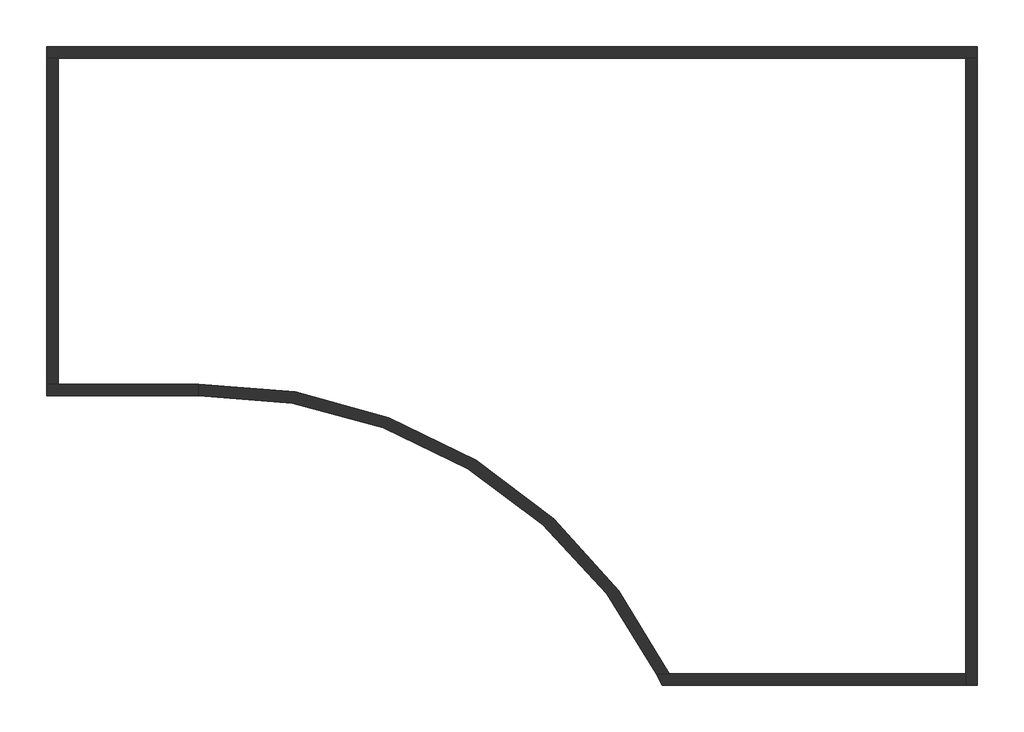
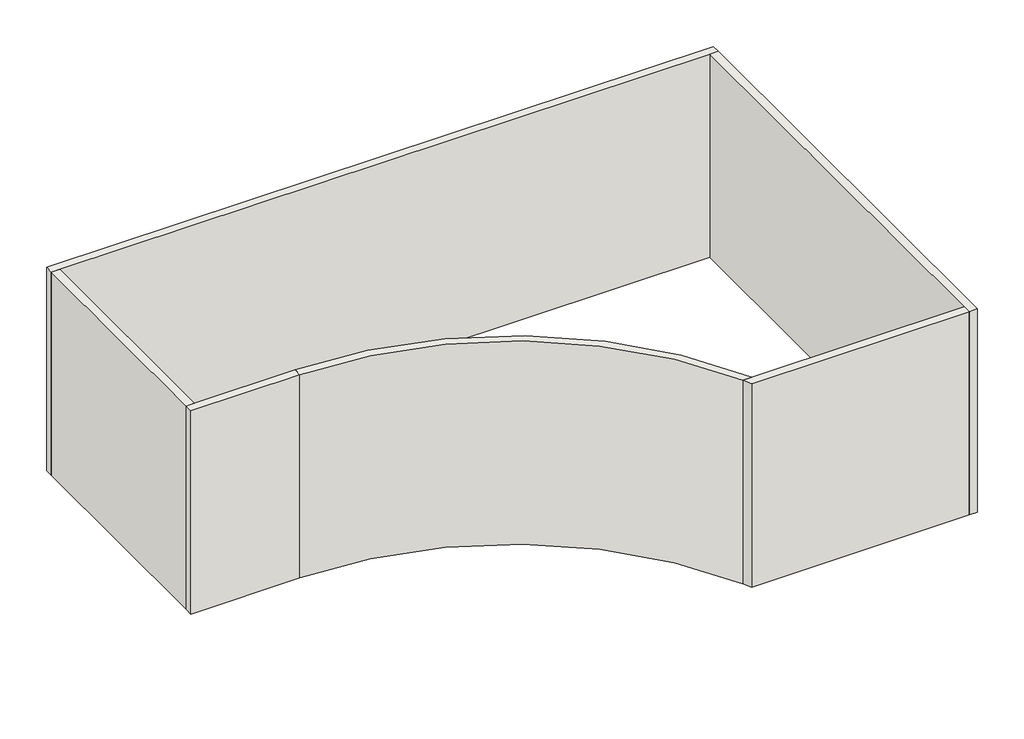
# One storey: 6 walls.
"""IFC4 building model written with IfcOpenShell, lengths in millimetres."""

from ifc_helpers import new_model, si_unit, point, frame, frame_2d, origin, place, context, project, spatial, polyline, circle_curve, trimmed, segment, composite_curve, outline, extrude, faceted_brep, element, save
from ifc_brep_helpers import plane_surface, revolved_surface, advanced_brep

model = new_model("IFC4")

# Units and contexts
model_context = context("Model", 3, world=origin())
ifc_project = project(units=[si_unit("LENGTHUNIT", "METRE", prefix="MILLI")], contexts=[model_context])

# Site, building, storey
site = spatial("IfcSite", under=ifc_project)
building = spatial("IfcBuilding", under=site)
storey = spatial("IfcBuildingStorey", under=building, Elevation=0.0)

# Walls
placement = place(None, origin())
element("IfcWall", 1, ObjectType="22_BM_Kalkzandsteen_150mm", at=placement, inside=storey, context=model_context, shape_type="Brep", body=[
    faceted_brep([(17433.19528, 2060.4769686, -50.0), (17583.19528, 2060.4769686, -50.0), (29383.19528, 2060.4769686, -50.0), (29533.19528, 2060.4769686, -50.0), (29533.19528, 2060.4769686, 3850.0), (29383.19528, 2060.4769686, 3850.0), (17583.19528, 2060.4769686, 3850.0), (17433.19528, 2060.4769686, 3850.0), (17433.19528, 2210.4769686, -50.0), (17433.19528, 2210.4769686, 3850.0), (29533.19528, 2210.4769686, 3850.0), (29533.19528, 2210.4769686, -50.0)], [[[0, 1, 2, 3, 4, 5, 6, 7]], [[8, 9, 10, 11]], [[3, 2, 1, 0, 8, 11]], [[7, 6, 5, 4, 10, 9]], [[4, 3, 11, 10]], [[0, 7, 9, 8]]]),
])
element("IfcWall", 2, ObjectType="22_BM_Kalkzandsteen_150mm", at=placement, inside=storey, context=model_context, shape_type="Brep", body=[
    faceted_brep([(29383.19528, 2060.4769686, -50.0), (29383.19528, -5939.5230314, -50.0), (29383.19528, -6089.5230314, -50.0), (29383.19528, -6089.5230314, 3850.0), (29383.19528, -5939.5230314, 3850.0), (29383.19528, 2060.4769686, 3850.0), (29533.19528, 2060.4769686, -50.0), (29533.19528, 2060.4769686, 3850.0), (29533.19528, -6089.5230314, 3850.0), (29533.19528, -6089.5230314, -50.0)], [[[0, 1, 2, 3, 4, 5]], [[6, 7, 8, 9]], [[2, 1, 0, 6, 9]], [[5, 4, 3, 8, 7]], [[0, 5, 7, 6]], [[3, 2, 9, 8]]]),
])
element("IfcWall", 3, ObjectType="22_BM_Kalkzandsteen_150mm", at=placement, inside=storey, context=model_context, shape_type="AdvancedBrep", body=[
    advanced_brep(
    [(29383.19528, -5939.5230314, -50.0), (25527.6581157, -5939.5230314, -50.0), (25360.3040809, -5939.5230314, -50.0), (25360.3040809, -5939.5230314, 3850.0), (25527.6581157, -5939.5230314, 3850.0), (29383.19528, -5939.5230314, 3850.0), (29383.19528, -6089.5230314, -50.0), (29383.19528, -6089.5230314, 3850.0), (25433.19528, -6089.5230314, 3850.0), (25433.19528, -6089.5230314, -50.0)],
    [
        (0, 1),
        (1, 2),
        (2, 3),
        (3, 4),
        (4, 5),
        (5, 0),
        (6, 7),
        (7, 8),
        (8, 9),
        (9, 6),
        (0, 6),
        (9, 2, circle_curve(frame((19504.9257387, -8877.6037782, -50.0), z_axis=(0.0, 0.0, 1.0), x_axis=(1.0, 0.0, 0.0)), 6551.1658508)),
        (3, 8, circle_curve(frame((19504.9257387, -8877.6037782, 3850.0), z_axis=(0.0, 0.0, -1.0), x_axis=(1.0, 0.0, 0.0)), 6551.1658508)),
        (7, 5),
    ],
    [
        plane_surface(frame((29533.19528, -5939.5230314, -50.0), z_axis=(0.0, 1.0, 0.0), x_axis=(-1.0, 0.0, 0.0))),
        plane_surface(frame((29533.19528, -6089.5230314, -50.0), z_axis=(0.0, -1.0, 0.0), x_axis=(1.0, 0.0, 0.0))),
        plane_surface(frame((29458.19528, -5939.5230314, -50.0), z_axis=(0.0, 0.0, -1.0), x_axis=(0.0, -1.0, 0.0))),
        plane_surface(frame((25480.6133577, -5939.5230314, 3850.0), z_axis=(0.0, 0.0, 1.0), x_axis=(0.0, -1.0, 0.0))),
        plane_surface(frame((29383.19528, 2210.4769686, -50.0), z_axis=(1.0, 0.0, 0.0), x_axis=(0.0, -1.0, 0.0))),
        revolved_surface(polyline([(26056.0915895, -8877.6037782, -50.0), (26056.0915895, -8877.6037782, 3850.0)]), (19504.9257387, -8877.6037782, -50.0), (0.0, 0.0, -1.0)),
    ],
    [
        (0, [[1, 2, 3, 4, 5, 6]]),
        (1, [[7, 8, 9, 10]]),
        (2, [[-2, -1, 11, -10, 12]]),
        (3, [[-5, -4, 13, -8, 14]]),
        (4, [[-6, -14, -7, -11]]),
        (5, [[-3, -12, -9, -13]]),
    ],
),
])
element("IfcWall", 4, ObjectType="22_BM_Kalkzandsteen_150mm", at=placement, inside=storey, context=model_context, shape_type="SweptSolid", body=[
    extrude(outline(composite_curve([segment(polyline([(19412.0537973, -2327.0962553), (19410.9965319, -2177.0962553)]), True, "CONTINUOUS"), segment(trimmed(circle_curve(frame_2d((19504.9257387, -8877.6037782)), 6701.1658508), [point((19410.9965319, -2177.0962553))], [point((25527.6581157, -5939.5230314))], False, "CARTESIAN"), True, "CONTINUOUS"), segment(polyline([(25527.6581157, -5939.5230314), (25360.3040809, -5939.5230314)]), True, "CONTINUOUS"), segment(trimmed(circle_curve(frame_2d((19504.9257387, -8877.6037782)), 6551.1658508), [point((25360.3040809, -5939.5230314))], [point((19412.0537973, -2327.0962553))], True, "CARTESIAN"), True, "CONTINUOUS")], self_intersect=False)), frame((0.0, 0.0, -50.0), z_axis=(0.0, 0.0, 1.0), x_axis=(1.0, 0.0, 0.0)), (0.0, 0.0, 1.0), 3900.0),
])
element("IfcWall", 5, ObjectType="22_BM_Kalkzandsteen_150mm", at=placement, inside=storey, context=model_context, shape_type="Brep", body=[
    faceted_brep([(19410.9965319, -2177.0962553, -50.0), (17583.19528, -2177.0962553, -50.0), (17433.19528, -2177.0962553, -50.0), (17433.19528, -2177.0962553, 3850.0), (17583.19528, -2177.0962553, 3850.0), (19410.9965319, -2177.0962553, 3850.0), (19412.0537973, -2327.0962553, -50.0), (19412.0537973, -2327.0962553, 3850.0), (17433.19528, -2327.0962553, 3850.0), (17433.19528, -2327.0962553, -50.0)], [[[0, 1, 2, 3, 4, 5]], [[6, 7, 8, 9]], [[2, 1, 0, 6, 9]], [[5, 4, 3, 8, 7]], [[0, 5, 7, 6]], [[3, 2, 9, 8]]]),
])
element("IfcWall", 6, ObjectType="22_BM_Kalkzandsteen_150mm", at=placement, inside=storey, context=model_context, shape_type="SweptSolid", body=[
    extrude(outline(polyline([(17583.19528, 2060.4769686), (17583.19528, -2177.0962553), (17433.19528, -2177.0962553), (17433.19528, 2060.4769686), (17583.19528, 2060.4769686)])), frame((0.0, 0.0, -50.0), z_axis=(0.0, 0.0, 1.0), x_axis=(1.0, 0.0, 0.0)), (0.0, 0.0, 1.0), 3900.0),
])

save(model, "model.ifc")
